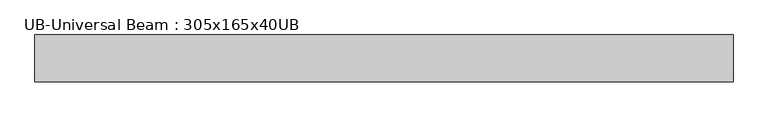
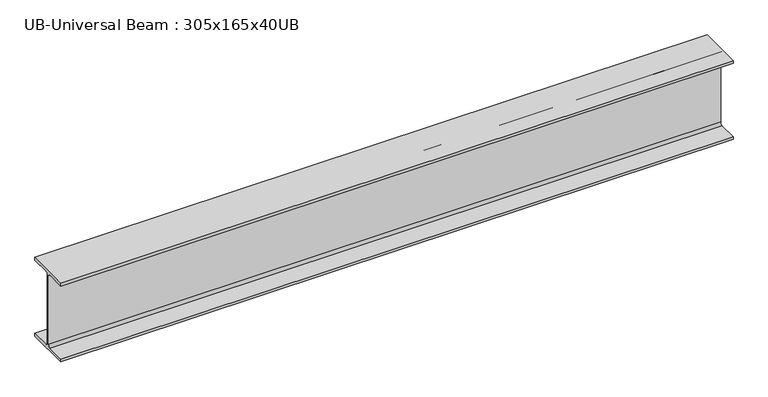
"""IFC4 building model written with IfcOpenShell, lengths in millimetres: beam geometry, UB-Universal Beam : 305x165x40UB."""

from ifc_helpers import new_model, si_unit, point, frame, frame_2d, origin, place, context, project, spatial, polyline, circle_curve, trimmed, segment, composite_curve, outline, extrude, source, transform, mapped, element, save


def ub_universal_beam_305x165x40ub_be6a95cf(model_context):
    return source(origin(), model_context, "Body", "SweptSolid", [
        extrude(outline(composite_curve([segment(polyline([(82.5, -141.5), (82.5, -151.7), (-82.5, -151.7), (-82.5, -141.5), (-11.9, -141.5)]), True, "CONTINUOUS"), segment(trimmed(circle_curve(frame_2d((-11.9, -132.6)), 8.9), [point((-11.9, -141.5))], [point((-3.0, -132.6))], True, "CARTESIAN"), True, "CONTINUOUS"), segment(polyline([(-3.0, -132.6), (-3.0, 132.6)]), True, "CONTINUOUS"), segment(trimmed(circle_curve(frame_2d((-11.9, 132.6)), 8.9), [point((-3.0, 132.6))], [point((-11.9, 141.5))], True, "CARTESIAN"), True, "CONTINUOUS"), segment(polyline([(-11.9, 141.5), (-82.5, 141.5), (-82.5, 151.7), (82.5, 151.7), (82.5, 141.5), (11.9, 141.5)]), True, "CONTINUOUS"), segment(trimmed(circle_curve(frame_2d((11.9, 132.6)), 8.9), [point((11.9, 141.5))], [point((3.0, 132.6))], True, "CARTESIAN"), True, "CONTINUOUS"), segment(polyline([(3.0, 132.6), (3.0, -132.6)]), True, "CONTINUOUS"), segment(trimmed(circle_curve(frame_2d((11.9, -132.6)), 8.9), [point((3.0, -132.6))], [point((11.9, -141.5))], True, "CARTESIAN"), True, "CONTINUOUS"), segment(polyline([(11.9, -141.5), (82.5, -141.5)]), True, "CONTINUOUS")], self_intersect=False)), frame((-1226.55, 0.0, 0.0), z_axis=(1.0, 0.0, 0.0), x_axis=(0.0, 1.0, 0.0)), (0.0, 0.0, 1.0), 2456.35),
    ])


if __name__ == "__main__":
    model = new_model("IFC4")
    model_context = context("Model", 3, world=origin())
    ifc_project = project(units=[si_unit("LENGTHUNIT", "METRE", prefix="MILLI")], contexts=[model_context])
    site = spatial("IfcSite", under=ifc_project)
    building = spatial("IfcBuilding", under=site)
    placement = place(None, origin())
    ub_universal_beam_305x165x40ub_shape = ub_universal_beam_305x165x40ub_be6a95cf(model_context)
    element("IfcBeam", 1, ObjectType="UB-Universal Beam : 305x165x40UB", at=placement, inside=building, context=model_context, shape_type="MappedRepresentation", body=[
        mapped(ub_universal_beam_305x165x40ub_shape, transform((0.0, 0.0, 0.0), x_axis=(1.0, 0.0, 0.0), y_axis=(0.0, 1.0, 0.0), z_axis=(0.0, 0.0, 1.0))),
    ])
    save(model, "model.ifc")
